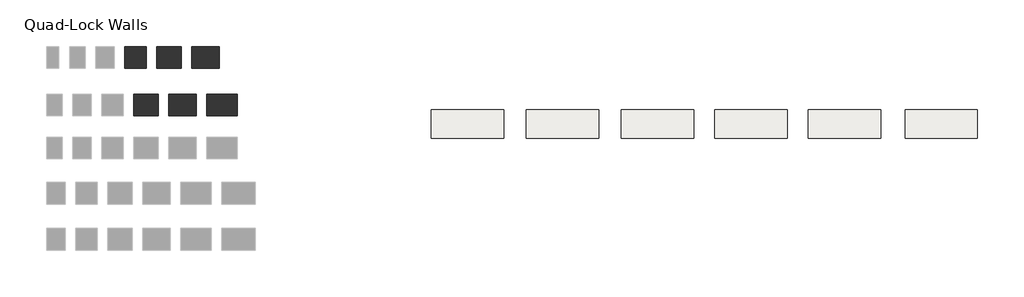
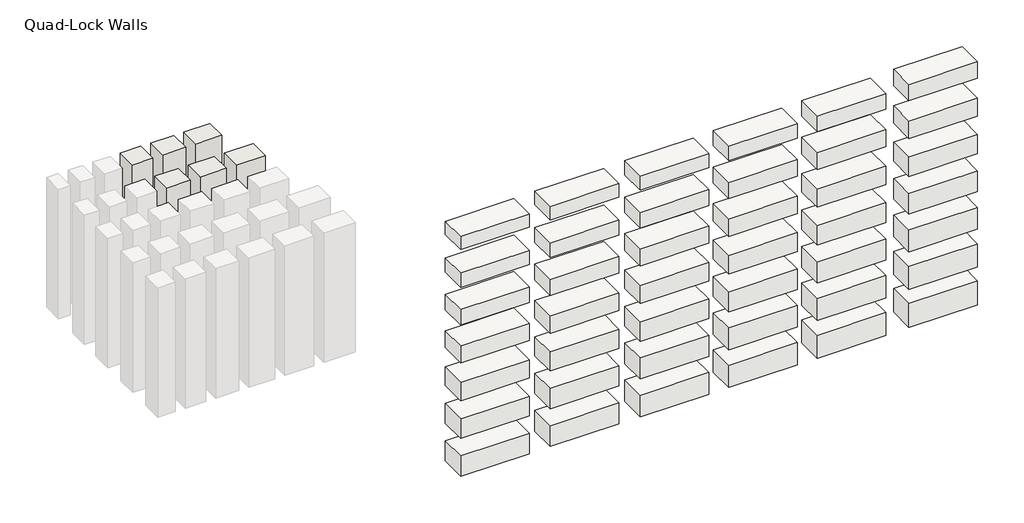
# One storey, part 2 of 2: 42 slabs, 6 walls.
"""IFC4 building model written with IfcOpenShell, lengths in millimetres."""

from ifc_helpers import new_model, si_unit, frame, origin, origin_with_axes, place, context, project, spatial, polyline, outline, extrude, element, save

model = new_model("IFC4")

# Units and contexts
model_context = context("Model", 3, world=origin())
ifc_project = project(units=[si_unit("LENGTHUNIT", "METRE", prefix="MILLI")], contexts=[model_context])

# Site, building, storey
site = spatial("IfcSite", under=ifc_project)
building = spatial("IfcBuilding", under=site)
storey = spatial("IfcBuildingStorey", under=building, Name="Quad-Lock Walls", Elevation=0.0)

# Slabs
placement = place(None, origin())
element("IfcSlab", 1, ObjectType="Quad-Deck U-0.17 (318mm Quad-Deck Panels + 100mm Slab)", at=placement, inside=storey, context=model_context, shape_type="SweptSolid", body=[
    extrude(outline(polyline([(9211.1471547, 2606.3833142), (9211.1471547, 2131.470435), (7991.9855591, 2131.470435), (7991.9855591, 2606.3833142), (9211.1471547, 2606.3833142)])), frame((0.0, 0.0, -4519.6), z_axis=(0.0, 0.0, 1.0), x_axis=(1.0, 0.0, 0.0)), (0.0, 0.0, 1.0), 417.5),
])
element("IfcSlab", 2, ObjectType="Quad-Deck U-0.17 (318mm Quad-Deck Panels + 115mm Slab)", at=placement, inside=storey, context=model_context, shape_type="SweptSolid", body=[
    extrude(outline(polyline([(10785.9471547, 2606.3833142), (10785.9471547, 2131.470435), (9566.7855591, 2131.470435), (9566.7855591, 2606.3833142), (10785.9471547, 2606.3833142)])), frame((0.0, 0.0, -4521.9), z_axis=(0.0, 0.0, 1.0), x_axis=(1.0, 0.0, 0.0)), (0.0, 0.0, 1.0), 432.5),
])
element("IfcSlab", 3, ObjectType="Quad-Deck U-0.17 (318mm Quad-Deck Panels + 130mm Slab)", at=placement, inside=storey, context=model_context, shape_type="SweptSolid", body=[
    extrude(outline(polyline([(12415.585866, 2606.3833142), (12415.585866, 2131.470435), (11196.4242705, 2131.470435), (11196.4242705, 2606.3833142), (12415.585866, 2606.3833142)])), frame((0.0, 0.0, -4511.5), z_axis=(0.0, 0.0, 1.0), x_axis=(1.0, 0.0, 0.0)), (0.0, 0.0, 1.0), 447.5),
])
element("IfcSlab", 4, ObjectType="Quad-Deck U-0.17 (318mm Quad-Deck Panels + 65mm Slab)", at=placement, inside=storey, context=model_context, shape_type="SweptSolid", body=[
    extrude(outline(polyline([(4436.9471547, 2606.3833142), (4436.9471547, 2131.470435), (3217.7855591, 2131.470435), (3217.7855591, 2606.3833142), (4436.9471547, 2606.3833142)])), frame((0.0, 0.0, -4520.0), z_axis=(0.0, 0.0, 1.0), x_axis=(1.0, 0.0, 0.0)), (0.0, 0.0, 1.0), 382.5),
])
element("IfcSlab", 5, ObjectType="Quad-Deck U-0.17 (318mm Quad-Deck Panels + 75mm Slab)", at=placement, inside=storey, context=model_context, shape_type="SweptSolid", body=[
    extrude(outline(polyline([(6036.1471547, 2606.3833142), (6036.1471547, 2131.470435), (4816.9855591, 2131.470435), (4816.9855591, 2606.3833142), (6036.1471547, 2606.3833142)])), frame((0.0, 0.0, -4520.0), z_axis=(0.0, 0.0, 1.0), x_axis=(1.0, 0.0, 0.0)), (0.0, 0.0, 1.0), 392.5),
])
element("IfcSlab", 6, ObjectType="Quad-Deck U-0.17 (318mm Quad-Deck Panels + 90mm Slab)", at=placement, inside=storey, context=model_context, shape_type="SweptSolid", body=[
    extrude(outline(polyline([(7636.3471547, 2606.3833142), (7636.3471547, 2131.470435), (6417.1855591, 2131.470435), (6417.1855591, 2606.3833142), (7636.3471547, 2606.3833142)])), frame((0.0, 0.0, -4522.3), z_axis=(0.0, 0.0, 1.0), x_axis=(1.0, 0.0, 0.0)), (0.0, 0.0, 1.0), 407.5),
])
element("IfcSlab", 7, ObjectType="Quad-Deck U-0.18 (305mm Quad-Deck Panels + 100mm Slab)", at=placement, inside=storey, context=model_context, shape_type="SweptSolid", body=[
    extrude(outline(polyline([(9211.1471547, 2606.3833142), (9211.1471547, 2131.470435), (7991.9855591, 2131.470435), (7991.9855591, 2606.3833142), (9211.1471547, 2606.3833142)])), frame((0.0, 0.0, -3808.4), z_axis=(0.0, 0.0, 1.0), x_axis=(1.0, 0.0, 0.0)), (0.0, 0.0, 1.0), 404.8),
])
element("IfcSlab", 8, ObjectType="Quad-Deck U-0.18 (305mm Quad-Deck Panels + 115mm Slab)", at=placement, inside=storey, context=model_context, shape_type="SweptSolid", body=[
    extrude(outline(polyline([(10785.9471547, 2606.3833142), (10785.9471547, 2131.470435), (9566.7855591, 2131.470435), (9566.7855591, 2606.3833142), (10785.9471547, 2606.3833142)])), frame((0.0, 0.0, -3810.7), z_axis=(0.0, 0.0, 1.0), x_axis=(1.0, 0.0, 0.0)), (0.0, 0.0, 1.0), 419.8),
])
element("IfcSlab", 9, ObjectType="Quad-Deck U-0.18 (305mm Quad-Deck Panels + 130mm Slab)", at=placement, inside=storey, context=model_context, shape_type="SweptSolid", body=[
    extrude(outline(polyline([(12415.585866, 2606.3833142), (12415.585866, 2131.470435), (11196.4242705, 2131.470435), (11196.4242705, 2606.3833142), (12415.585866, 2606.3833142)])), frame((0.0, 0.0, -3800.3), z_axis=(0.0, 0.0, 1.0), x_axis=(1.0, 0.0, 0.0)), (0.0, 0.0, 1.0), 434.8),
])
element("IfcSlab", 10, ObjectType="Quad-Deck U-0.18 (305mm Quad-Deck Panels + 65mm Slab)", at=placement, inside=storey, context=model_context, shape_type="SweptSolid", body=[
    extrude(outline(polyline([(4436.9471547, 2606.3833142), (4436.9471547, 2131.470435), (3217.7855591, 2131.470435), (3217.7855591, 2606.3833142), (4436.9471547, 2606.3833142)])), frame((0.0, 0.0, -3808.8), z_axis=(0.0, 0.0, 1.0), x_axis=(1.0, 0.0, 0.0)), (0.0, 0.0, 1.0), 369.8),
])
element("IfcSlab", 11, ObjectType="Quad-Deck U-0.18 (305mm Quad-Deck Panels + 75mm Slab)", at=placement, inside=storey, context=model_context, shape_type="SweptSolid", body=[
    extrude(outline(polyline([(6036.1471547, 2606.3833142), (6036.1471547, 2131.470435), (4816.9855591, 2131.470435), (4816.9855591, 2606.3833142), (6036.1471547, 2606.3833142)])), frame((0.0, 0.0, -3808.8), z_axis=(0.0, 0.0, 1.0), x_axis=(1.0, 0.0, 0.0)), (0.0, 0.0, 1.0), 379.8),
])
element("IfcSlab", 12, ObjectType="Quad-Deck U-0.18 (305mm Quad-Deck Panels + 90mm Slab)", at=placement, inside=storey, context=model_context, shape_type="SweptSolid", body=[
    extrude(outline(polyline([(7636.3471547, 2606.3833142), (7636.3471547, 2131.470435), (6417.1855591, 2131.470435), (6417.1855591, 2606.3833142), (7636.3471547, 2606.3833142)])), frame((0.0, 0.0, -3811.1), z_axis=(0.0, 0.0, 1.0), x_axis=(1.0, 0.0, 0.0)), (0.0, 0.0, 1.0), 394.8),
])
element("IfcSlab", 13, ObjectType="Quad-Deck U-0.20 (279mm Quad-Deck Panels + 100mm Slab)", at=placement, inside=storey, context=model_context, shape_type="SweptSolid", body=[
    extrude(outline(polyline([(9211.1471547, 2606.3833142), (9211.1471547, 2131.470435), (7991.9855591, 2131.470435), (7991.9855591, 2606.3833142), (9211.1471547, 2606.3833142)])), frame((0.0, 0.0, -3097.2), z_axis=(0.0, 0.0, 1.0), x_axis=(1.0, 0.0, 0.0)), (0.0, 0.0, 1.0), 379.4),
])
element("IfcSlab", 14, ObjectType="Quad-Deck U-0.20 (279mm Quad-Deck Panels + 115mm Slab)", at=placement, inside=storey, context=model_context, shape_type="SweptSolid", body=[
    extrude(outline(polyline([(10785.9471547, 2606.3833142), (10785.9471547, 2131.470435), (9566.7855591, 2131.470435), (9566.7855591, 2606.3833142), (10785.9471547, 2606.3833142)])), frame((0.0, 0.0, -3099.5), z_axis=(0.0, 0.0, 1.0), x_axis=(1.0, 0.0, 0.0)), (0.0, 0.0, 1.0), 394.4),
])
element("IfcSlab", 15, ObjectType="Quad-Deck U-0.20 (279mm Quad-Deck Panels + 130mm Slab)", at=placement, inside=storey, context=model_context, shape_type="SweptSolid", body=[
    extrude(outline(polyline([(12415.585866, 2606.3833142), (12415.585866, 2131.470435), (11196.4242705, 2131.470435), (11196.4242705, 2606.3833142), (12415.585866, 2606.3833142)])), frame((0.0, 0.0, -3089.1), z_axis=(0.0, 0.0, 1.0), x_axis=(1.0, 0.0, 0.0)), (0.0, 0.0, 1.0), 409.4),
])
element("IfcSlab", 16, ObjectType="Quad-Deck U-0.20 (279mm Quad-Deck Panels + 65mm Slab)", at=placement, inside=storey, context=model_context, shape_type="SweptSolid", body=[
    extrude(outline(polyline([(4436.9471547, 2606.3833142), (4436.9471547, 2131.470435), (3217.7855591, 2131.470435), (3217.7855591, 2606.3833142), (4436.9471547, 2606.3833142)])), frame((0.0, 0.0, -3097.6), z_axis=(0.0, 0.0, 1.0), x_axis=(1.0, 0.0, 0.0)), (0.0, 0.0, 1.0), 344.4),
])
element("IfcSlab", 17, ObjectType="Quad-Deck U-0.20 (279mm Quad-Deck Panels + 75mm Slab)", at=placement, inside=storey, context=model_context, shape_type="SweptSolid", body=[
    extrude(outline(polyline([(6036.1471547, 2606.3833142), (6036.1471547, 2131.470435), (4816.9855591, 2131.470435), (4816.9855591, 2606.3833142), (6036.1471547, 2606.3833142)])), frame((0.0, 0.0, -3097.6), z_axis=(0.0, 0.0, 1.0), x_axis=(1.0, 0.0, 0.0)), (0.0, 0.0, 1.0), 354.4),
])
element("IfcSlab", 18, ObjectType="Quad-Deck U-0.20 (279mm Quad-Deck Panels + 90mm Slab)", at=placement, inside=storey, context=model_context, shape_type="SweptSolid", body=[
    extrude(outline(polyline([(7636.3471547, 2606.3833142), (7636.3471547, 2131.470435), (6417.1855591, 2131.470435), (6417.1855591, 2606.3833142), (7636.3471547, 2606.3833142)])), frame((0.0, 0.0, -3099.9), z_axis=(0.0, 0.0, 1.0), x_axis=(1.0, 0.0, 0.0)), (0.0, 0.0, 1.0), 369.4),
])
element("IfcSlab", 19, ObjectType="Quad-Deck U-0.23 (254mm Quad-Deck Panels + 100mm Slab)", at=placement, inside=storey, context=model_context, shape_type="SweptSolid", body=[
    extrude(outline(polyline([(9211.1471547, 2606.3833142), (9211.1471547, 2131.470435), (7991.9855591, 2131.470435), (7991.9855591, 2606.3833142), (9211.1471547, 2606.3833142)])), frame((0.0, 0.0, -2386.0), z_axis=(0.0, 0.0, 1.0), x_axis=(1.0, 0.0, 0.0)), (0.0, 0.0, 1.0), 354.0),
])
element("IfcSlab", 20, ObjectType="Quad-Deck U-0.23 (254mm Quad-Deck Panels + 115mm Slab)", at=placement, inside=storey, context=model_context, shape_type="SweptSolid", body=[
    extrude(outline(polyline([(10785.9471547, 2606.3833142), (10785.9471547, 2131.470435), (9566.7855591, 2131.470435), (9566.7855591, 2606.3833142), (10785.9471547, 2606.3833142)])), frame((0.0, 0.0, -2388.3), z_axis=(0.0, 0.0, 1.0), x_axis=(1.0, 0.0, 0.0)), (0.0, 0.0, 1.0), 369.0),
])
element("IfcSlab", 21, ObjectType="Quad-Deck U-0.23 (254mm Quad-Deck Panels + 130mm Slab)", at=placement, inside=storey, context=model_context, shape_type="SweptSolid", body=[
    extrude(outline(polyline([(12415.585866, 2606.3833142), (12415.585866, 2131.470435), (11196.4242705, 2131.470435), (11196.4242705, 2606.3833142), (12415.585866, 2606.3833142)])), frame((0.0, 0.0, -2377.9), z_axis=(0.0, 0.0, 1.0), x_axis=(1.0, 0.0, 0.0)), (0.0, 0.0, 1.0), 384.0),
])
element("IfcSlab", 22, ObjectType="Quad-Deck U-0.23 (254mm Quad-Deck Panels + 65mm Slab)", at=placement, inside=storey, context=model_context, shape_type="SweptSolid", body=[
    extrude(outline(polyline([(4436.9471547, 2606.3833142), (4436.9471547, 2131.470435), (3217.7855591, 2131.470435), (3217.7855591, 2606.3833142), (4436.9471547, 2606.3833142)])), frame((0.0, 0.0, -2386.4), z_axis=(0.0, 0.0, 1.0), x_axis=(1.0, 0.0, 0.0)), (0.0, 0.0, 1.0), 319.0),
])
element("IfcSlab", 23, ObjectType="Quad-Deck U-0.23 (254mm Quad-Deck Panels + 75mm Slab)", at=placement, inside=storey, context=model_context, shape_type="SweptSolid", body=[
    extrude(outline(polyline([(6036.1471547, 2606.3833142), (6036.1471547, 2131.470435), (4816.9855591, 2131.470435), (4816.9855591, 2606.3833142), (6036.1471547, 2606.3833142)])), frame((0.0, 0.0, -2386.4), z_axis=(0.0, 0.0, 1.0), x_axis=(1.0, 0.0, 0.0)), (0.0, 0.0, 1.0), 329.0),
])
element("IfcSlab", 24, ObjectType="Quad-Deck U-0.23 (254mm Quad-Deck Panels + 90mm Slab)", at=placement, inside=storey, context=model_context, shape_type="SweptSolid", body=[
    extrude(outline(polyline([(7636.3471547, 2606.3833142), (7636.3471547, 2131.470435), (6417.1855591, 2131.470435), (6417.1855591, 2606.3833142), (7636.3471547, 2606.3833142)])), frame((0.0, 0.0, -2388.7), z_axis=(0.0, 0.0, 1.0), x_axis=(1.0, 0.0, 0.0)), (0.0, 0.0, 1.0), 344.0),
])
element("IfcSlab", 25, ObjectType="Quad-Deck U-0.26 (228mm Quad-Deck Panels + 100mm Slab)", at=placement, inside=storey, context=model_context, shape_type="SweptSolid", body=[
    extrude(outline(polyline([(9211.1471547, 2606.3833142), (9211.1471547, 2131.470435), (7991.9855591, 2131.470435), (7991.9855591, 2606.3833142), (9211.1471547, 2606.3833142)])), frame((0.0, 0.0, -1674.6), z_axis=(0.0, 0.0, 1.0), x_axis=(1.0, 0.0, 0.0)), (0.0, 0.0, 1.0), 328.4),
])
element("IfcSlab", 26, ObjectType="Quad-Deck U-0.26 (228mm Quad-Deck Panels + 115mm Slab)", at=placement, inside=storey, context=model_context, shape_type="SweptSolid", body=[
    extrude(outline(polyline([(10785.9471547, 2606.3833142), (10785.9471547, 2131.470435), (9566.7855591, 2131.470435), (9566.7855591, 2606.3833142), (10785.9471547, 2606.3833142)])), frame((0.0, 0.0, -1676.9), z_axis=(0.0, 0.0, 1.0), x_axis=(1.0, 0.0, 0.0)), (0.0, 0.0, 1.0), 343.4),
])
element("IfcSlab", 27, ObjectType="Quad-Deck U-0.26 (228mm Quad-Deck Panels + 130mm Slab)", at=placement, inside=storey, context=model_context, shape_type="SweptSolid", body=[
    extrude(outline(polyline([(12415.585866, 2606.3833142), (12415.585866, 2131.470435), (11196.4242705, 2131.470435), (11196.4242705, 2606.3833142), (12415.585866, 2606.3833142)])), frame((0.0, 0.0, -1666.5), z_axis=(0.0, 0.0, 1.0), x_axis=(1.0, 0.0, 0.0)), (0.0, 0.0, 1.0), 358.4),
])
element("IfcSlab", 28, ObjectType="Quad-Deck U-0.26 (228mm Quad-Deck Panels + 65mm Slab)", at=placement, inside=storey, context=model_context, shape_type="SweptSolid", body=[
    extrude(outline(polyline([(4436.9471547, 2606.3833142), (4436.9471547, 2131.470435), (3217.7855591, 2131.470435), (3217.7855591, 2606.3833142), (4436.9471547, 2606.3833142)])), frame((0.0, 0.0, -1675.0), z_axis=(0.0, 0.0, 1.0), x_axis=(1.0, 0.0, 0.0)), (0.0, 0.0, 1.0), 293.4),
])
element("IfcSlab", 29, ObjectType="Quad-Deck U-0.26 (228mm Quad-Deck Panels + 75mm Slab)", at=placement, inside=storey, context=model_context, shape_type="SweptSolid", body=[
    extrude(outline(polyline([(6036.1471547, 2606.3833142), (6036.1471547, 2131.470435), (4816.9855591, 2131.470435), (4816.9855591, 2606.3833142), (6036.1471547, 2606.3833142)])), frame((0.0, 0.0, -1675.0), z_axis=(0.0, 0.0, 1.0), x_axis=(1.0, 0.0, 0.0)), (0.0, 0.0, 1.0), 303.4),
])
element("IfcSlab", 30, ObjectType="Quad-Deck U-0.26 (228mm Quad-Deck Panels + 90mm Slab)", at=placement, inside=storey, context=model_context, shape_type="SweptSolid", body=[
    extrude(outline(polyline([(7636.3471547, 2606.3833142), (7636.3471547, 2131.470435), (6417.1855591, 2131.470435), (6417.1855591, 2606.3833142), (7636.3471547, 2606.3833142)])), frame((0.0, 0.0, -1677.3), z_axis=(0.0, 0.0, 1.0), x_axis=(1.0, 0.0, 0.0)), (0.0, 0.0, 1.0), 318.4),
])
element("IfcSlab", 31, ObjectType="Quad-Deck U-0.30 (203mm Quad-Deck Panels + 100mm Slab)", at=placement, inside=storey, context=model_context, shape_type="SweptSolid", body=[
    extrude(outline(polyline([(9211.1471547, 2606.3833142), (9211.1471547, 2131.470435), (7991.9855591, 2131.470435), (7991.9855591, 2606.3833142), (9211.1471547, 2606.3833142)])), frame((0.0, 0.0, -963.6), z_axis=(0.0, 0.0, 1.0), x_axis=(1.0, 0.0, 0.0)), (0.0, 0.0, 1.0), 303.2),
])
element("IfcSlab", 32, ObjectType="Quad-Deck U-0.30 (203mm Quad-Deck Panels + 115mm Slab)", at=placement, inside=storey, context=model_context, shape_type="SweptSolid", body=[
    extrude(outline(polyline([(10785.9471547, 2606.3833142), (10785.9471547, 2131.470435), (9566.7855591, 2131.470435), (9566.7855591, 2606.3833142), (10785.9471547, 2606.3833142)])), frame((0.0, 0.0, -965.9), z_axis=(0.0, 0.0, 1.0), x_axis=(1.0, 0.0, 0.0)), (0.0, 0.0, 1.0), 318.2),
])
element("IfcSlab", 33, ObjectType="Quad-Deck U-0.30 (203mm Quad-Deck Panels + 130mm Slab)", at=placement, inside=storey, context=model_context, shape_type="SweptSolid", body=[
    extrude(outline(polyline([(12415.585866, 2606.3833142), (12415.585866, 2131.470435), (11196.4242705, 2131.470435), (11196.4242705, 2606.3833142), (12415.585866, 2606.3833142)])), frame((0.0, 0.0, -955.5), z_axis=(0.0, 0.0, 1.0), x_axis=(1.0, 0.0, 0.0)), (0.0, 0.0, 1.0), 333.2),
])
element("IfcSlab", 34, ObjectType="Quad-Deck U-0.30 (203mm Quad-Deck Panels + 65mm Slab)", at=placement, inside=storey, context=model_context, shape_type="SweptSolid", body=[
    extrude(outline(polyline([(4436.9471547, 2606.3833142), (4436.9471547, 2131.470435), (3217.7855591, 2131.470435), (3217.7855591, 2606.3833142), (4436.9471547, 2606.3833142)])), frame((0.0, 0.0, -964.0), z_axis=(0.0, 0.0, 1.0), x_axis=(1.0, 0.0, 0.0)), (0.0, 0.0, 1.0), 268.2),
])
element("IfcSlab", 35, ObjectType="Quad-Deck U-0.30 (203mm Quad-Deck Panels + 75mm Slab)", at=placement, inside=storey, context=model_context, shape_type="SweptSolid", body=[
    extrude(outline(polyline([(6036.1471547, 2606.3833142), (6036.1471547, 2131.470435), (4816.9855591, 2131.470435), (4816.9855591, 2606.3833142), (6036.1471547, 2606.3833142)])), frame((0.0, 0.0, -964.0), z_axis=(0.0, 0.0, 1.0), x_axis=(1.0, 0.0, 0.0)), (0.0, 0.0, 1.0), 278.2),
])
element("IfcSlab", 36, ObjectType="Quad-Deck U-0.30 (203mm Quad-Deck Panels + 90mm Slab)", at=placement, inside=storey, context=model_context, shape_type="SweptSolid", body=[
    extrude(outline(polyline([(7636.3471547, 2606.3833142), (7636.3471547, 2131.470435), (6417.1855591, 2131.470435), (6417.1855591, 2606.3833142), (7636.3471547, 2606.3833142)])), frame((0.0, 0.0, -966.3), z_axis=(0.0, 0.0, 1.0), x_axis=(1.0, 0.0, 0.0)), (0.0, 0.0, 1.0), 293.2),
])
element("IfcSlab", 37, ObjectType="Quad-Deck U-0.35 (178mm Quad-Deck Panels + 100mm Slab)", at=placement, inside=storey, context=model_context, shape_type="SweptSolid", body=[
    extrude(outline(polyline([(9211.1663569, 2606.3833142), (9211.1663569, 2131.470435), (7991.9663569, 2131.470435), (7991.9663569, 2606.3833142), (9211.1663569, 2606.3833142)])), frame((0.0, 0.0, -252.4), z_axis=(0.0, 0.0, 1.0), x_axis=(1.0, 0.0, 0.0)), (0.0, 0.0, 1.0), 277.8),
])
element("IfcSlab", 38, ObjectType="Quad-Deck U-0.35 (178mm Quad-Deck Panels + 115mm Slab)", at=placement, inside=storey, context=model_context, shape_type="SweptSolid", body=[
    extrude(outline(polyline([(10785.9663569, 2606.3833142), (10785.9663569, 2131.470435), (9566.7663569, 2131.470435), (9566.7663569, 2606.3833142), (10785.9663569, 2606.3833142)])), frame((0.0, 0.0, -254.7), z_axis=(0.0, 0.0, 1.0), x_axis=(1.0, 0.0, 0.0)), (0.0, 0.0, 1.0), 292.8),
])
element("IfcSlab", 39, ObjectType="Quad-Deck U-0.35 (178mm Quad-Deck Panels + 130mm Slab)", at=placement, inside=storey, context=model_context, shape_type="SweptSolid", body=[
    extrude(outline(polyline([(12415.6050683, 2606.3833142), (12415.6050683, 2131.470435), (11196.4050683, 2131.470435), (11196.4050683, 2606.3833142), (12415.6050683, 2606.3833142)])), frame((0.0, 0.0, -244.3), z_axis=(0.0, 0.0, 1.0), x_axis=(1.0, 0.0, 0.0)), (0.0, 0.0, 1.0), 307.8),
])
element("IfcSlab", 40, ObjectType="Quad-Deck U-0.35 (178mm Quad-Deck Panels + 65mm Slab)", at=placement, inside=storey, context=model_context, shape_type="SweptSolid", body=[
    extrude(outline(polyline([(4436.9663569, 2606.3833142), (4436.9663569, 2131.470435), (3217.7663569, 2131.470435), (3217.7663569, 2606.3833142), (4436.9663569, 2606.3833142)])), frame((0.0, 0.0, -252.8), z_axis=(0.0, 0.0, 1.0), x_axis=(1.0, 0.0, 0.0)), (0.0, 0.0, 1.0), 242.8),
])
element("IfcSlab", 41, ObjectType="Quad-Deck U-0.35 (178mm Quad-Deck Panels + 75mm Slab)", at=placement, inside=storey, context=model_context, shape_type="SweptSolid", body=[
    extrude(outline(polyline([(6036.1663569, 2606.3833142), (6036.1663569, 2131.470435), (4816.9663569, 2131.470435), (4816.9663569, 2606.3833142), (6036.1663569, 2606.3833142)])), frame((0.0, 0.0, -252.8), z_axis=(0.0, 0.0, 1.0), x_axis=(1.0, 0.0, 0.0)), (0.0, 0.0, 1.0), 252.8),
])
element("IfcSlab", 42, ObjectType="Quad-Deck U-0.35 (178mm Quad-Deck Panels + 90mm Slab)", at=placement, inside=storey, context=model_context, shape_type="SweptSolid", body=[
    extrude(outline(polyline([(7636.3663569, 2606.3833142), (7636.3663569, 2131.470435), (6417.1663569, 2131.470435), (6417.1663569, 2606.3833142), (7636.3663569, 2606.3833142)])), frame((0.0, 0.0, -255.1), z_axis=(0.0, 0.0, 1.0), x_axis=(1.0, 0.0, 0.0)), (0.0, 0.0, 1.0), 267.8),
])

# Walls
element("IfcWall", 43, ObjectType="Quad-Lock U-0.21 (79mm EPS + 254mm Conc. + 79mm EPS)", at=placement, inside=storey, context=model_context, shape_type="SweptSolid", body=[
    extrude(outline(polyline([(-1379.5237403, 2871.2390453), (-1379.5237403, 2502.9390453), (-1792.2737403, 2502.9390453), (-1792.2737403, 2871.2390453), (-1379.5237403, 2871.2390453)])), origin_with_axes(), (0.0, 0.0, 1.0), 2438.4),
])
element("IfcWall", 44, ObjectType="Quad-Lock U-0.21 (79mm EPS + 305mm Conc. + 79mm EPS)", at=placement, inside=storey, context=model_context, shape_type="SweptSolid", body=[
    extrude(outline(polyline([(-738.1737403, 2871.2390453), (-738.1737403, 2502.9390453), (-1201.7237403, 2502.9390453), (-1201.7237403, 2871.2390453), (-738.1737403, 2871.2390453)])), origin_with_axes(), (0.0, 0.0, 1.0), 2438.4),
])
element("IfcWall", 45, ObjectType="Quad-Lock U-0.21 (79mm EPS + 356mm Conc. +79mm EPS)", at=placement, inside=storey, context=model_context, shape_type="SweptSolid", body=[
    extrude(outline(polyline([(-46.0237403, 2871.2390453), (-46.0237403, 2502.9390453), (-560.3737403, 2502.9390453), (-560.3737403, 2871.2390453), (-46.0237403, 2871.2390453)])), origin_with_axes(), (0.0, 0.0, 1.0), 2438.4),
])
element("IfcWall", 46, ObjectType="Quad-Lock U-0.28 (57mm EPS + 248mm Conc. + 57mm EPS)", at=placement, inside=storey, context=model_context, shape_type="SweptSolid", body=[
    extrude(outline(polyline([(-1944.6737403, 3303.0390453), (-1944.6737403, 3671.3390453), (-1582.7237403, 3671.3390453), (-1582.7237403, 3303.0390453), (-1944.6737403, 3303.0390453)])), origin_with_axes(), (0.0, 0.0, 1.0), 2438.4),
])
element("IfcWall", 47, ObjectType="Quad-Lock U-0.28 (57mm EPS + 298mm Conc. +57mm EPS)", at=placement, inside=storey, context=model_context, shape_type="SweptSolid", body=[
    extrude(outline(polyline([(-1404.9237403, 3303.0390453), (-1404.9237403, 3671.3390453), (-992.1737403, 3671.3390453), (-992.1737403, 3303.0390453), (-1404.9237403, 3303.0390453)])), origin_with_axes(), (0.0, 0.0, 1.0), 2438.4),
])
element("IfcWall", 48, ObjectType="Quad-Lock U-0.28 (57mm EPS + 349mm Conc. + 57mm EPS)", at=placement, inside=storey, context=model_context, shape_type="SweptSolid", body=[
    extrude(outline(polyline([(-814.3737403, 3303.0390453), (-814.3737403, 3671.3390453), (-350.8237403, 3671.3390453), (-350.8237403, 3303.0390453), (-814.3737403, 3303.0390453)])), origin_with_axes(), (0.0, 0.0, 1.0), 2438.4),
])

save(model, "model.ifc")
